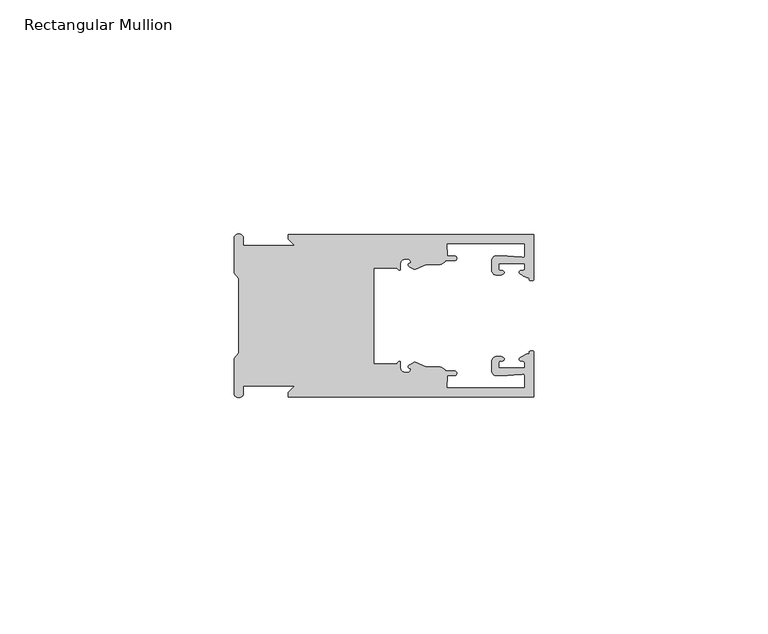
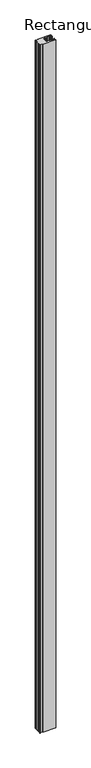
"""IFC4 building model written with IfcOpenShell, lengths in millimetres: member geometry, Rectangular Mullion."""

from ifc_helpers import new_model, si_unit, frame, origin, place, context, project, spatial, polyline, circle_curve, source, transform, mapped, element, save
from ifc_brep_helpers import plane_surface, cylinder_surface, revolved_surface, extruded_surface, spline_curve, advanced_brep


def rectangular_mullion_3cb16c54(model_context):
    return source(origin(), model_context, "Body", "AdvancedBrep", [
        advanced_brep(
        [(-52.4999971, 17.4000478, 0.0), (-52.4999971, 16.4000449, 0.0), (-51.0999522, 15.0, 0.0), (-62.0387868, 15.0, 0.0), (-62.0387868, 16.5, 0.0), (-64.0387868, 16.5, 0.0), (-64.0387868, 9.1160254, 0.0), (-63.0387868, 7.9613249, 0.0), (-63.0387868, 0.0, 0.0), (-63.0387868, -7.9613249, 0.0), (-64.0387868, -9.1160254, 0.0), (-64.0387868, -16.5, 0.0), (-62.0387868, -16.5, 0.0), (-62.0387868, -15.0, 0.0), (-51.0999522, -15.0, 0.0), (-52.4999971, -16.4000449, 0.0), (-52.4999971, -17.4000478, 0.0), (0.0, -17.4000478, 0.0), (0.0, -7.8350057, 0.0), (-0.7503181, -7.5412947, 0.0), (-1.5773715, -8.1921895, 0.0), (-1.9977219, -9.9426451, 0.0), (-1.9963701, -11.1926444, 0.0), (-7.4963668, -11.1985924, 0.0), (-7.4977187, -9.9485931, 0.0), (-6.9302524, -8.7314723, 0.0), (-7.9990702, -8.6991345, 0.0), (-8.9979881, -9.7002154, 0.0), (-8.9957171, -11.8002142, 0.0), (-7.9941504, -12.7991315, 0.0), (-5.6737115, -12.7954945, 0.0), (-2.9047814, -12.5502269, 0.0), (-1.9946938, -12.7426435, 0.0), (-1.99182, -15.4000478, 0.0), (-18.6147556, -15.4000478, 0.0), (-18.4655733, -12.8000478, 0.0), (-17.0, -12.8000478, 0.0), (-17.0, -11.8000478, 0.0), (-18.7844506, -11.8000478, 0.0), (-20.4, -10.9000478, 0.0), (-22.9933834, -10.9000478, 0.0), (-25.4690733, -9.8718293, 0.0), (-26.5, -10.4670351, 0.0), (-26.3584432, -11.4201497, 0.0), (-27.0117105, -12.1583697, 0.0), (-27.8377054, -12.0127245, 0.0), (-28.4987868, -11.2248783, 0.0), (-28.4987868, -10.0, 0.0), (-29.2682077, -10.25, 0.0), (-34.2487868, -10.25, 0.0), (-34.2487868, 0.0, 0.0), (-34.2487868, 10.25, 0.0), (-29.2682077, 10.25, 0.0), (-28.4987868, 10.0, 0.0), (-28.4987868, 11.2248783, 0.0), (-27.8377054, 12.0127245, 0.0), (-27.0117105, 12.1583697, 0.0), (-26.3584432, 11.4201497, 0.0), (-26.5, 10.4670351, 0.0), (-25.4690733, 9.8718293, 0.0), (-22.9933834, 10.9000478, 0.0), (-20.4, 10.9000478, 0.0), (-18.7844506, 11.8000478, 0.0), (-17.0, 11.8000478, 0.0), (-17.0, 12.8000478, 0.0), (-18.4655733, 12.8000478, 0.0), (-18.6147556, 15.4000478, 0.0), (-1.99182, 15.4000478, 0.0), (-1.9946938, 12.7426435, 0.0), (-2.9047814, 12.5502269, 0.0), (-5.6737115, 12.7954945, 0.0), (-7.9941504, 12.7991314, 0.0), (-8.9957171, 11.8002142, 0.0), (-8.9979881, 9.7002154, 0.0), (-7.9990702, 8.6991345, 0.0), (-6.9302524, 8.7314723, 0.0), (-7.4977187, 9.9485931, 0.0), (-7.4963668, 11.1985924, 0.0), (-1.9963701, 11.1926444, 0.0), (-1.9977219, 9.9426451, 0.0), (-1.5773715, 8.1921895, 0.0), (-0.7503181, 7.5412947, 0.0), (0.0, 7.8350057, 0.0), (0.0, 17.4000478, 0.0), (-52.4999971, 17.4000478, -2923.8690924), (0.0, 17.4000478, -2923.8690924), (0.0, 7.8350057, -2923.8690924), (-0.7503181, 7.5412947, -2923.8690924), (-1.5773715, 8.1921895, -2923.8690924), (-1.9977219, 9.9426451, -2923.8690924), (-1.9963701, 11.1926444, -2923.8690924), (-7.4963668, 11.1985924, -2923.8690924), (-7.4977187, 9.9485931, -2923.8690924), (-6.9302524, 8.7314723, -2923.8690924), (-7.9990702, 8.6991345, -2923.8690924), (-8.9979881, 9.7002154, -2923.8690924), (-8.9957171, 11.8002142, -2923.8690924), (-7.9941504, 12.7991315, -2923.8690924), (-5.6737115, 12.7954945, -2923.8690924), (-2.9047814, 12.5502269, -2923.8690924), (-1.9946938, 12.7426435, -2923.8690924), (-1.99182, 15.4000478, -2923.8690924), (-18.6147556, 15.4000478, -2923.8690924), (-18.4655733, 12.8000478, -2923.8690924), (-17.0, 12.8000478, -2923.8690924), (-17.0, 11.8000478, -2923.8690924), (-18.7844506, 11.8000478, -2923.8690924), (-20.4, 10.9000478, -2923.8690924), (-22.9933834, 10.9000478, -2923.8690924), (-25.4690733, 9.8718293, -2923.8690924), (-26.5, 10.4670351, -2923.8690924), (-26.3584432, 11.4201497, -2923.8690924), (-27.0117105, 12.1583697, -2923.8690924), (-27.8377054, 12.0127245, -2923.8690924), (-28.4987868, 11.2248783, -2923.8690924), (-28.4987868, 10.0, -2923.8690924), (-29.2682077, 10.25, -2923.8690924), (-34.2487868, 10.25, -2923.8690924), (-34.2487868, 0.0, -2923.8690924), (-34.2487868, -10.25, -2923.8690924), (-29.2682077, -10.25, -2923.8690924), (-28.4987868, -10.0, -2923.8690924), (-28.4987868, -11.2248783, -2923.8690924), (-27.8377054, -12.0127245, -2923.8690924), (-27.0117105, -12.1583697, -2923.8690924), (-26.3584432, -11.4201497, -2923.8690924), (-26.5, -10.4670351, -2923.8690924), (-25.4690733, -9.8718293, -2923.8690924), (-22.9933834, -10.9000478, -2923.8690924), (-20.4, -10.9000478, -2923.8690924), (-18.7844506, -11.8000478, -2923.8690924), (-17.0, -11.8000478, -2923.8690924), (-17.0, -12.8000478, -2923.8690924), (-18.4655733, -12.8000478, -2923.8690924), (-18.6147556, -15.4000478, -2923.8690924), (-1.99182, -15.4000478, -2923.8690924), (-1.9946938, -12.7426435, -2923.8690924), (-2.9047814, -12.5502269, -2923.8690924), (-5.6737115, -12.7954945, -2923.8690924), (-7.9941504, -12.7991314, -2923.8690924), (-8.9957171, -11.8002142, -2923.8690924), (-8.9979881, -9.7002154, -2923.8690924), (-7.9990702, -8.6991345, -2923.8690924), (-6.9302524, -8.7314723, -2923.8690924), (-7.4977187, -9.9485931, -2923.8690924), (-7.4963668, -11.1985924, -2923.8690924), (-1.9963701, -11.1926444, -2923.8690924), (-1.9977219, -9.9426451, -2923.8690924), (-1.5773715, -8.1921895, -2923.8690924), (-0.7503181, -7.5412947, -2923.8690924), (0.0, -7.8350057, -2923.8690924), (0.0, -17.4000478, -2923.8690924), (-52.4999971, -17.4000478, -2923.8690924), (-52.4999971, -16.4000449, -2923.8690924), (-51.0999522, -15.0, -2923.8690924), (-62.0387868, -15.0, -2923.8690924), (-62.0387868, -16.5, -2923.8690924), (-64.0387868, -16.5, -2923.8690924), (-64.0387868, -9.1160254, -2923.8690924), (-63.0387868, -7.9613249, -2923.8690924), (-63.0387868, 0.0, -2923.8690924), (-63.0387868, 7.9613249, -2923.8690924), (-64.0387868, 9.1160254, -2923.8690924), (-64.0387868, 16.5, -2923.8690924), (-62.0387868, 16.5, -2923.8690924), (-62.0387868, 15.0, -2923.8690924), (-51.0999522, 15.0, -2923.8690924), (-52.4999971, 16.4000449, -2923.8690924)],
        [
            (0, 1),
            (1, 2),
            (2, 3),
            (3, 4),
            (4, 5, circle_curve(frame((-63.0387868, 16.5, 0.0), z_axis=(0.0, 0.0, 1.0), x_axis=(0.0, -1.0, 0.0)), 1.0)),
            (5, 6),
            (6, 7),
            (7, 8),
            (8, 9),
            (9, 10),
            (10, 11),
            (11, 12, circle_curve(frame((-63.0387868, -16.5, 0.0), z_axis=(0.0, 0.0, 1.0), x_axis=(0.0, 1.0, 0.0)), 1.0)),
            (12, 13),
            (13, 14),
            (14, 15),
            (15, 16),
            (16, 17),
            (17, 18),
            (18, 19, spline_curve(3, [(0.0, -7.8350057, 0.0), (-0.000295423, -7.561831774, 0.0), (-0.250401475, -7.463928087, 0.0), (-0.7503181, -7.5412947, 0.0)], [4, 4], [0.0, 0.0019169337574178654])),
            (19, 20, spline_curve(3, [(-0.7503181, -7.5412947, 0.0), (-0.981025883, -7.582232011, 0.0), (-1.020341733, -7.725390894, 0.0), (-1.018861306, -8.056436881, 0.0), (-0.935342692, -8.236386866, 0.0), (-1.5773715, -8.1921895, 0.0)], [4, 2, 4], [0.0, 0.0010199524164107188, 0.0024874514725970356])),
            (20, 21, spline_curve(3, [(-1.5773715, -8.1921895, 0.0), (-3.050289227, -8.880962536, 0.0), (-3.244741678, -9.192776957, 0.0), (-3.088978722, -9.57023562, 0.0), (-2.893572786, -9.682771697, 0.0), (-2.372951094, -9.714019003, 0.0), (-2.073544226, -9.660891484, 0.0), (-1.9977219, -9.9426451, 0.0)], [4, 2, 2, 4], [0.0, 0.003269869179570428, 0.005490050486237203, 0.0073545767114364426])),
            (21, 22),
            (22, 23),
            (23, 24),
            (24, 25, spline_curve(3, [(-7.4977187, -9.9485931, 0.0), (-7.403948265, -9.597117104, 0.0), (-7.133830126, -9.698238818, 0.0), (-6.714615456, -9.731086209, 0.0), (-6.57909525, -9.646199885, 0.0), (-6.309783548, -9.346016011, 0.0), (-6.179294318, -9.113082158, 0.0), (-6.9302524, -8.7314723, 0.0)], [4, 2, 2, 4], [0.0, 0.001593963049934732, 0.0033360256320283306, 0.005339140673503943])),
            (25, 26),
            (26, 27, circle_curve(frame((-7.9979887, -9.699134, 0.0), z_axis=(0.0, 0.0, 1.0), x_axis=(-0.001081445115855867, 0.9999994152380598, 0.0)), 1.0)),
            (27, 28),
            (28, 29, circle_curve(frame((-7.9957177, -11.7991327, 0.0), z_axis=(0.0, 0.0, 1.0), x_axis=(-0.001081445115855867, 0.9999994152380598, 0.0)), 1.0)),
            (29, 30),
            (30, 31),
            (31, 32, spline_curve(3, [(-2.9047814, -12.5502269, 0.0), (-2.433301372, -12.508463911, 0.0), (-2.046675381, -12.303164326, 0.0), (-1.9946938, -12.7426435, 0.0)], [4, 4], [0.0, 0.0014803385355886016])),
            (32, 33),
            (33, 34),
            (34, 35),
            (35, 36),
            (36, 37, circle_curve(frame((-17.0, -12.3000478, 0.0), z_axis=(0.0, 0.0, 1.0), x_axis=(0.0, 1.0, 0.0)), 0.5)),
            (37, 38),
            (38, 39, circle_curve(frame((-20.4, -12.8000478, 0.0), z_axis=(0.0, 0.0, 1.0), x_axis=(0.0, 1.0, 0.0)), 1.9)),
            (39, 40),
            (40, 41),
            (41, 42),
            (42, 43, spline_curve(3, [(-26.5, -10.4670351, 0.0), (-27.064866947, -10.833863985, 0.0), (-26.840627255, -11.135696286, 0.0), (-26.450894889, -11.260246073, 0.0), (-26.284202608, -11.180452419, 0.0), (-26.3584432, -11.4201497, 0.0)], [4, 2, 4], [0.0, 0.0019283703160353726, 0.003394584635652914])),
            (43, 44, circle_curve(frame((-26.9953005, -11.5147359, 0.0), z_axis=(0.0, 0.0, -1.0), x_axis=(0.0, 1.0, 0.0)), 0.643843)),
            (44, 45),
            (45, 46, circle_curve(frame((-27.6987868, -11.2248783, 0.0), z_axis=(0.0, 0.0, -1.0), x_axis=(0.0, 1.0, 0.0)), 0.8)),
            (46, 47),
            (47, 48, spline_curve(3, [(-28.4987868, -10.0, 0.0), (-28.598786562, -9.598293201, 0.0), (-28.855260206, -9.681626535, 0.0), (-29.2682077, -10.25, 0.0)], [4, 4], [0.0, 0.0027473296990141553])),
            (48, 49),
            (49, 50),
            (50, 51),
            (51, 52),
            (52, 53, spline_curve(3, [(-29.2682077, 10.25, 0.0), (-28.855260206, 9.681626535, 0.0), (-28.598786562, 9.598293201, 0.0), (-28.4987868, 10.0, 0.0)], [4, 4], [0.0, 0.0027473296990141553])),
            (53, 54),
            (54, 55, circle_curve(frame((-27.6987868, 11.2248783, 0.0), z_axis=(0.0, 0.0, -1.0), x_axis=(0.0, -1.0, 0.0)), 0.8)),
            (55, 56),
            (56, 57, circle_curve(frame((-26.9953005, 11.5147359, 0.0), z_axis=(0.0, 0.0, -1.0), x_axis=(0.0, -1.0, 0.0)), 0.643843)),
            (57, 58, spline_curve(3, [(-26.3584432, 11.4201497, 0.0), (-26.284202608, 11.180452419, 0.0), (-26.450894889, 11.260246073, 0.0), (-26.840627255, 11.135696286, 0.0), (-27.064866947, 10.833863985, 0.0), (-26.5, 10.4670351, 0.0)], [4, 2, 4], [0.0, 0.0014662143196175414, 0.003394584635652914])),
            (58, 59),
            (59, 60),
            (60, 61),
            (61, 62, circle_curve(frame((-20.4, 12.8000478, 0.0), z_axis=(0.0, 0.0, 1.0), x_axis=(0.0, -1.0, 0.0)), 1.9)),
            (62, 63),
            (63, 64, circle_curve(frame((-17.0, 12.3000478, 0.0), z_axis=(0.0, 0.0, 1.0), x_axis=(0.0, -1.0, 0.0)), 0.5)),
            (64, 65),
            (65, 66),
            (66, 67),
            (67, 68),
            (68, 69, spline_curve(3, [(-1.9946938, 12.7426435, 0.0), (-2.046675381, 12.303164326, 0.0), (-2.433301372, 12.508463911, 0.0), (-2.9047814, 12.5502269, 0.0)], [4, 4], [0.0, 0.0014803385355886016])),
            (69, 70),
            (70, 71),
            (71, 72, circle_curve(frame((-7.9957177, 11.7991327, 0.0), z_axis=(0.0, 0.0, 1.0), x_axis=(-0.0010814451158627505, -0.9999994152380598, 0.0)), 1.0)),
            (72, 73),
            (73, 74, circle_curve(frame((-7.9979887, 9.699134, 0.0), z_axis=(0.0, 0.0, 1.0), x_axis=(-0.0010814451158627505, -0.9999994152380598, 0.0)), 1.0)),
            (74, 75),
            (75, 76, spline_curve(3, [(-6.9302524, 8.7314723, 0.0), (-6.179294318, 9.113082158, 0.0), (-6.309783548, 9.346016011, 0.0), (-6.57909525, 9.646199885, 0.0), (-6.714615456, 9.731086209, 0.0), (-7.133830126, 9.698238818, 0.0), (-7.403948265, 9.597117104, 0.0), (-7.4977187, 9.9485931, 0.0)], [4, 2, 2, 4], [0.0, 0.002003115041475612, 0.0037451776235692107, 0.005339140673503943])),
            (76, 77),
            (77, 78),
            (78, 79),
            (79, 80, spline_curve(3, [(-1.9977219, 9.9426451, 0.0), (-2.073544226, 9.660891484, 0.0), (-2.372951094, 9.714019003, 0.0), (-2.893572786, 9.682771697, 0.0), (-3.088978722, 9.57023562, 0.0), (-3.244741678, 9.192776957, 0.0), (-3.050289227, 8.880962536, 0.0), (-1.5773715, 8.1921895, 0.0)], [4, 2, 2, 4], [0.0, 0.0018645262251992395, 0.004084707531866015, 0.0073545767114364426])),
            (80, 81, spline_curve(3, [(-1.5773715, 8.1921895, 0.0), (-0.935342692, 8.236386866, 0.0), (-1.018861306, 8.056436881, 0.0), (-1.020341733, 7.725390894, 0.0), (-0.981025883, 7.582232011, 0.0), (-0.7503181, 7.5412947, 0.0)], [4, 2, 4], [0.0, 0.0014674990561863168, 0.0024874514725970356])),
            (81, 82, spline_curve(3, [(-0.7503181, 7.5412947, 0.0), (-0.250401475, 7.463928087, 0.0), (-0.000295423, 7.561831774, 0.0), (0.0, 7.8350057, 0.0)], [4, 4], [0.0, 0.0019169337574178654])),
            (82, 83),
            (83, 0),
            (84, 85),
            (85, 86),
            (86, 87, spline_curve(3, [(0.0, 7.8350057, -2923.8690924), (-0.000295423, 7.561831774, -2923.8690924), (-0.250401475, 7.463928087, -2923.8690924), (-0.7503181, 7.5412947, -2923.8690924)], [4, 4], [0.0, 0.0019169337574178654])),
            (87, 88, spline_curve(3, [(-0.7503181, 7.5412947, -2923.8690924), (-0.981025883, 7.582232011, -2923.8690924), (-1.020341733, 7.725390894, -2923.8690924), (-1.018861306, 8.056436881, -2923.8690924), (-0.935342692, 8.236386866, -2923.8690924), (-1.5773715, 8.1921895, -2923.8690924)], [4, 2, 4], [0.0, 0.0010199524164107188, 0.0024874514725970356])),
            (88, 89, spline_curve(3, [(-1.5773715, 8.1921895, -2923.8690924), (-3.050289227, 8.880962536, -2923.8690924), (-3.244741678, 9.192776957, -2923.8690924), (-3.088978722, 9.57023562, -2923.8690924), (-2.893572786, 9.682771697, -2923.8690924), (-2.372951094, 9.714019003, -2923.8690924), (-2.073544226, 9.660891484, -2923.8690924), (-1.9977219, 9.9426451, -2923.8690924)], [4, 2, 2, 4], [0.0, 0.003269869179570428, 0.005490050486237203, 0.0073545767114364426])),
            (89, 90),
            (90, 91),
            (91, 92),
            (92, 93, spline_curve(3, [(-7.4977187, 9.9485931, -2923.8690924), (-7.403948265, 9.597117104, -2923.8690924), (-7.133830126, 9.698238818, -2923.8690924), (-6.714615456, 9.731086209, -2923.8690924), (-6.57909525, 9.646199885, -2923.8690924), (-6.309783548, 9.346016011, -2923.8690924), (-6.179294318, 9.113082158, -2923.8690924), (-6.9302524, 8.7314723, -2923.8690924)], [4, 2, 2, 4], [0.0, 0.001593963049934732, 0.0033360256320283306, 0.005339140673503943])),
            (93, 94),
            (94, 95, circle_curve(frame((-7.9979887, 9.699134, -2923.8690924), z_axis=(0.0, 0.0, -1.0), x_axis=(-0.0010814451158627505, -0.9999994152380598, 0.0)), 1.0)),
            (95, 96),
            (96, 97, circle_curve(frame((-7.9957177, 11.7991327, -2923.8690924), z_axis=(0.0, 0.0, -1.0), x_axis=(-0.0010814451158627505, -0.9999994152380598, 0.0)), 1.0)),
            (97, 98),
            (98, 99),
            (99, 100, spline_curve(3, [(-2.9047814, 12.5502269, -2923.8690924), (-2.433301372, 12.508463911, -2923.8690924), (-2.046675381, 12.303164326, -2923.8690924), (-1.9946938, 12.7426435, -2923.8690924)], [4, 4], [0.0, 0.0014803385355886016])),
            (100, 101),
            (101, 102),
            (102, 103),
            (103, 104),
            (104, 105, circle_curve(frame((-17.0, 12.3000478, -2923.8690924), z_axis=(0.0, 0.0, -1.0), x_axis=(0.0, -1.0, 0.0)), 0.5)),
            (105, 106),
            (106, 107, circle_curve(frame((-20.4, 12.8000478, -2923.8690924), z_axis=(0.0, 0.0, -1.0), x_axis=(0.0, -1.0, 0.0)), 1.9)),
            (107, 108),
            (108, 109),
            (109, 110),
            (110, 111, spline_curve(3, [(-26.5, 10.4670351, -2923.8690924), (-27.064866947, 10.833863985, -2923.8690924), (-26.840627255, 11.135696286, -2923.8690924), (-26.450894889, 11.260246073, -2923.8690924), (-26.284202608, 11.180452419, -2923.8690924), (-26.3584432, 11.4201497, -2923.8690924)], [4, 2, 4], [0.0, 0.0019283703160353726, 0.003394584635652914])),
            (111, 112, circle_curve(frame((-26.9953005, 11.5147359, -2923.8690924), z_axis=(0.0, 0.0, 1.0), x_axis=(0.0, -1.0, 0.0)), 0.643843)),
            (112, 113),
            (113, 114, circle_curve(frame((-27.6987868, 11.2248783, -2923.8690924), z_axis=(0.0, 0.0, 1.0), x_axis=(0.0, -1.0, 0.0)), 0.8)),
            (114, 115),
            (115, 116, spline_curve(3, [(-28.4987868, 10.0, -2923.8690924), (-28.598786562, 9.598293201, -2923.8690924), (-28.855260206, 9.681626535, -2923.8690924), (-29.2682077, 10.25, -2923.8690924)], [4, 4], [0.0, 0.0027473296990141553])),
            (116, 117),
            (117, 118),
            (118, 119),
            (119, 120),
            (120, 121, spline_curve(3, [(-29.2682077, -10.25, -2923.8690924), (-28.855260206, -9.681626535, -2923.8690924), (-28.598786562, -9.598293201, -2923.8690924), (-28.4987868, -10.0, -2923.8690924)], [4, 4], [0.0, 0.0027473296990141553])),
            (121, 122),
            (122, 123, circle_curve(frame((-27.6987868, -11.2248783, -2923.8690924), z_axis=(0.0, 0.0, 1.0), x_axis=(0.0, 1.0, 0.0)), 0.8)),
            (123, 124),
            (124, 125, circle_curve(frame((-26.9953005, -11.5147359, -2923.8690924), z_axis=(0.0, 0.0, 1.0), x_axis=(0.0, 1.0, 0.0)), 0.643843)),
            (125, 126, spline_curve(3, [(-26.3584432, -11.4201497, -2923.8690924), (-26.284202608, -11.180452419, -2923.8690924), (-26.450894889, -11.260246073, -2923.8690924), (-26.840627255, -11.135696286, -2923.8690924), (-27.064866947, -10.833863985, -2923.8690924), (-26.5, -10.4670351, -2923.8690924)], [4, 2, 4], [0.0, 0.0014662143196175414, 0.003394584635652914])),
            (126, 127),
            (127, 128),
            (128, 129),
            (129, 130, circle_curve(frame((-20.4, -12.8000478, -2923.8690924), z_axis=(0.0, 0.0, -1.0), x_axis=(0.0, 1.0, 0.0)), 1.9)),
            (130, 131),
            (131, 132, circle_curve(frame((-17.0, -12.3000478, -2923.8690924), z_axis=(0.0, 0.0, -1.0), x_axis=(0.0, 1.0, 0.0)), 0.5)),
            (132, 133),
            (133, 134),
            (134, 135),
            (135, 136),
            (136, 137, spline_curve(3, [(-1.9946938, -12.7426435, -2923.8690924), (-2.046675381, -12.303164326, -2923.8690924), (-2.433301372, -12.508463911, -2923.8690924), (-2.9047814, -12.5502269, -2923.8690924)], [4, 4], [0.0, 0.0014803385355886016])),
            (137, 138),
            (138, 139),
            (139, 140, circle_curve(frame((-7.9957177, -11.7991327, -2923.8690924), z_axis=(0.0, 0.0, -1.0), x_axis=(-0.001081445115855867, 0.9999994152380598, 0.0)), 1.0)),
            (140, 141),
            (141, 142, circle_curve(frame((-7.9979887, -9.699134, -2923.8690924), z_axis=(0.0, 0.0, -1.0), x_axis=(-0.001081445115855867, 0.9999994152380598, 0.0)), 1.0)),
            (142, 143),
            (143, 144, spline_curve(3, [(-6.9302524, -8.7314723, -2923.8690924), (-6.179294318, -9.113082158, -2923.8690924), (-6.309783548, -9.346016011, -2923.8690924), (-6.57909525, -9.646199885, -2923.8690924), (-6.714615456, -9.731086209, -2923.8690924), (-7.133830126, -9.698238818, -2923.8690924), (-7.403948265, -9.597117104, -2923.8690924), (-7.4977187, -9.9485931, -2923.8690924)], [4, 2, 2, 4], [0.0, 0.002003115041475612, 0.0037451776235692107, 0.005339140673503943])),
            (144, 145),
            (145, 146),
            (146, 147),
            (147, 148, spline_curve(3, [(-1.9977219, -9.9426451, -2923.8690924), (-2.073544226, -9.660891484, -2923.8690924), (-2.372951094, -9.714019003, -2923.8690924), (-2.893572786, -9.682771697, -2923.8690924), (-3.088978722, -9.57023562, -2923.8690924), (-3.244741678, -9.192776957, -2923.8690924), (-3.050289227, -8.880962536, -2923.8690924), (-1.5773715, -8.1921895, -2923.8690924)], [4, 2, 2, 4], [0.0, 0.0018645262251992395, 0.004084707531866015, 0.0073545767114364426])),
            (148, 149, spline_curve(3, [(-1.5773715, -8.1921895, -2923.8690924), (-0.935342692, -8.236386866, -2923.8690924), (-1.018861306, -8.056436881, -2923.8690924), (-1.020341733, -7.725390894, -2923.8690924), (-0.981025883, -7.582232011, -2923.8690924), (-0.7503181, -7.5412947, -2923.8690924)], [4, 2, 4], [0.0, 0.0014674990561863168, 0.0024874514725970356])),
            (149, 150, spline_curve(3, [(-0.7503181, -7.5412947, -2923.8690924), (-0.250401475, -7.463928087, -2923.8690924), (-0.000295423, -7.561831774, -2923.8690924), (0.0, -7.8350057, -2923.8690924)], [4, 4], [0.0, 0.0019169337574178654])),
            (150, 151),
            (151, 152),
            (152, 153),
            (153, 154),
            (154, 155),
            (155, 156),
            (156, 157, circle_curve(frame((-63.0387868, -16.5, -2923.8690924), z_axis=(0.0, 0.0, -1.0), x_axis=(0.0, 1.0, 0.0)), 1.0)),
            (157, 158),
            (158, 159),
            (159, 160),
            (160, 161),
            (161, 162),
            (162, 163),
            (163, 164, circle_curve(frame((-63.0387868, 16.5, -2923.8690924), z_axis=(0.0, 0.0, -1.0), x_axis=(0.0, -1.0, 0.0)), 1.0)),
            (164, 165),
            (165, 166),
            (166, 167),
            (167, 84),
            (0, 84),
            (167, 1),
            (166, 2),
            (165, 3),
            (164, 4),
            (163, 5),
            (162, 6),
            (161, 7),
            (160, 8),
            (159, 9),
            (158, 10),
            (157, 11),
            (156, 12),
            (155, 13),
            (154, 14),
            (153, 15),
            (152, 16),
            (151, 17),
            (150, 18),
            (149, 19),
            (148, 20),
            (147, 21),
            (146, 22),
            (145, 23),
            (144, 24),
            (143, 25),
            (142, 26),
            (141, 27),
            (140, 28),
            (139, 29),
            (138, 30),
            (137, 31),
            (136, 32),
            (135, 33),
            (134, 34),
            (133, 35),
            (132, 36),
            (131, 37),
            (130, 38),
            (129, 39),
            (128, 40),
            (127, 41),
            (126, 42),
            (125, 43),
            (124, 44),
            (123, 45),
            (122, 46),
            (121, 47),
            (120, 48),
            (119, 49),
            (118, 50),
            (117, 51),
            (116, 52),
            (115, 53),
            (114, 54),
            (113, 55),
            (112, 56),
            (111, 57),
            (110, 58),
            (109, 59),
            (108, 60),
            (107, 61),
            (106, 62),
            (105, 63),
            (104, 64),
            (103, 65),
            (102, 66),
            (101, 67),
            (100, 68),
            (99, 69),
            (98, 70),
            (97, 71),
            (96, 72),
            (95, 73),
            (94, 74),
            (93, 75),
            (92, 76),
            (91, 77),
            (90, 78),
            (89, 79),
            (88, 80),
            (87, 81),
            (86, 82),
            (85, 83),
        ],
        [
            plane_surface(frame((0.0, -66.1302973, 0.0), z_axis=(0.0, 0.0, 1.0), x_axis=(-1.0, 0.0, 0.0))),
            plane_surface(frame((0.0, -66.1302973, -2923.8690924), z_axis=(0.0, 0.0, -1.0), x_axis=(-1.0, 0.0, 0.0))),
            plane_surface(frame((-52.4999971, 17.4000478, 0.0), z_axis=(-1.0, 0.0, 0.0), x_axis=(0.0, 0.0, -1.0))),
            plane_surface(frame((-52.4999971, 16.4000449, 0.0), z_axis=(-0.7071067811865507, -0.7071067811865446, 0.0), x_axis=(0.0, 0.0, -1.0))),
            plane_surface(frame((-51.0999522, 15.0, 0.0), z_axis=(0.0, 1.0, 0.0), x_axis=(0.0, 0.0, -1.0))),
            plane_surface(frame((-62.0387868, 15.0, 0.0), z_axis=(1.0, 0.0, 0.0), x_axis=(0.0, 0.0, -1.0))),
            cylinder_surface(frame((-63.0387868, 16.5, 0.0), z_axis=(0.0, 0.0, 1.0), x_axis=(0.0, -1.0, 0.0)), 1.0),
            plane_surface(frame((-64.0387868, 16.5, 0.0), z_axis=(-1.0, 0.0, 0.0), x_axis=(0.0, 0.0, -1.0))),
            plane_surface(frame((-64.0387868, 9.1160254, 0.0), z_axis=(-0.7559289460231571, -0.654653670702547, 0.0), x_axis=(0.0, 0.0, -1.0))),
            plane_surface(frame((-63.0387868, 7.9613249, 0.0), z_axis=(-1.0, 0.0, 0.0), x_axis=(0.0, 0.0, -1.0))),
            plane_surface(frame((-63.0387868, 0.0, 0.0), z_axis=(-1.0, 0.0, 0.0), x_axis=(0.0, 0.0, -1.0))),
            plane_surface(frame((-63.0387868, -7.9613249, 0.0), z_axis=(-0.7559289460231527, 0.6546536707025522, 0.0), x_axis=(0.0, 0.0, -1.0))),
            plane_surface(frame((-64.0387868, -9.1160254, 0.0), z_axis=(-1.0, 0.0, 0.0), x_axis=(0.0, 0.0, -1.0))),
            cylinder_surface(frame((-63.0387868, -16.5, 0.0), z_axis=(0.0, 0.0, 1.0), x_axis=(0.0, 1.0, 0.0)), 1.0),
            plane_surface(frame((-62.0387868, -16.5, 0.0), z_axis=(1.0, 0.0, 0.0), x_axis=(0.0, 0.0, -1.0))),
            plane_surface(frame((-62.0387868, -15.0, 0.0), z_axis=(0.0, -1.0, 0.0), x_axis=(0.0, 0.0, -1.0))),
            plane_surface(frame((-51.0999522, -15.0, 0.0), z_axis=(-0.7071067811865457, 0.7071067811865493, 0.0), x_axis=(0.0, 0.0, -1.0))),
            plane_surface(frame((-52.4999971, -16.4000449, 0.0), z_axis=(-1.0, 0.0, 0.0), x_axis=(0.0, 0.0, -1.0))),
            plane_surface(frame((-52.4999971, -17.4000478, 0.0), z_axis=(0.0, -1.0, 0.0), x_axis=(0.0, 0.0, -1.0))),
            plane_surface(frame((0.0, -17.4000478, 0.0), z_axis=(1.0, 0.0, 0.0), x_axis=(0.0, 0.0, -1.0))),
            extruded_surface(spline_curve(3, [(0.0, -7.8350057, -2923.8690924), (-0.000295423, -7.561831774, -2923.8690924), (-0.250401475, -7.463928087, -2923.8690924), (-0.7503181, -7.5412947, -2923.8690924)], [4, 4], [0.0, 0.0019169337574178654]), (0.0, 0.0, 2923.8690924), 2923.8690924),
            extruded_surface(spline_curve(3, [(-0.7503181, -7.5412947, -2923.8690924), (-0.981025883, -7.582232011, -2923.8690924), (-1.020341733, -7.725390894, -2923.8690924), (-1.018861306, -8.056436881, -2923.8690924), (-0.935342692, -8.236386866, -2923.8690924), (-1.5773715, -8.1921895, -2923.8690924)], [4, 2, 4], [0.0, 0.0010199524164107188, 0.0024874514725970356]), (0.0, 0.0, 2923.8690924), 2923.8690924),
            extruded_surface(spline_curve(3, [(-1.5773715, -8.1921895, -2923.8690924), (-3.050289227, -8.880962536, -2923.8690924), (-3.244741678, -9.192776957, -2923.8690924), (-3.088978722, -9.57023562, -2923.8690924), (-2.893572786, -9.682771697, -2923.8690924), (-2.372951094, -9.714019003, -2923.8690924), (-2.073544226, -9.660891484, -2923.8690924), (-1.9977219, -9.9426451, -2923.8690924)], [4, 2, 2, 4], [0.0, 0.003269869179570428, 0.005490050486237203, 0.0073545767114364426]), (0.0, 0.0, 2923.8690924), 2923.8690924),
            plane_surface(frame((-1.9977219, -9.9426451, 0.0), z_axis=(-0.9999994152380598, -0.001081445115852483, 0.0), x_axis=(0.0, 0.0, -1.0))),
            plane_surface(frame((-1.9963701, -11.1926444, 0.0), z_axis=(-0.0010814451158542558, 0.9999994152380598, 0.0), x_axis=(0.0, 0.0, -1.0))),
            plane_surface(frame((-7.4963668, -11.1985924, 0.0), z_axis=(0.9999994152380598, 0.0010814451158515682, 0.0), x_axis=(0.0, 0.0, -1.0))),
            extruded_surface(spline_curve(3, [(-7.4977187, -9.9485931, -2923.8690924), (-7.403948265, -9.597117104, -2923.8690924), (-7.133830126, -9.698238818, -2923.8690924), (-6.714615456, -9.731086209, -2923.8690924), (-6.57909525, -9.646199885, -2923.8690924), (-6.309783548, -9.346016011, -2923.8690924), (-6.179294318, -9.113082158, -2923.8690924), (-6.9302524, -8.7314723, -2923.8690924)], [4, 2, 2, 4], [0.0, 0.001593963049934732, 0.0033360256320283306, 0.005339140673503943]), (0.0, 0.0, 2923.8690924), 2923.8690924),
            plane_surface(frame((-6.9302524, -8.7314723, 0.0), z_axis=(0.030241832452876805, 0.9995426111826811, 0.0), x_axis=(0.0, 0.0, -1.0))),
            cylinder_surface(frame((-7.9979887, -9.699134, 0.0), z_axis=(0.0, 0.0, 1.0000000000000002), x_axis=(-0.001081445115855867, 0.9999994152380598, 0.0)), 1.0),
            plane_surface(frame((-8.9979881, -9.7002154, 0.0), z_axis=(-0.9999994152380598, -0.0010814451158518386, 0.0), x_axis=(0.0, 0.0, -1.0))),
            cylinder_surface(frame((-7.9957177, -11.7991327, 0.0), z_axis=(0.0, 0.0, 1.0000000000000002), x_axis=(-0.001081445115855867, 0.9999994152380598, 0.0)), 1.0),
            plane_surface(frame((-7.9941504, -12.7991314, 0.0), z_axis=(0.001567318332783891, -0.9999987717558677, 0.0), x_axis=(0.0, 0.0, -1.0))),
            plane_surface(frame((-5.6737115, -12.7954945, 0.0), z_axis=(0.08823302167298844, -0.9960998614026879, 0.0), x_axis=(0.0, 0.0, -1.0))),
            extruded_surface(spline_curve(3, [(-2.9047814, -12.5502269, -2923.8690924), (-2.433301372, -12.508463911, -2923.8690924), (-2.046675381, -12.303164326, -2923.8690924), (-1.9946938, -12.7426435, -2923.8690924)], [4, 4], [0.0, 0.0014803385355886016]), (0.0, 0.0, 2923.8690924), 2923.8690924),
            plane_surface(frame((-1.9946938, -12.7426435, 0.0), z_axis=(-0.9999994152380598, -0.001081445115852898, 0.0), x_axis=(0.0, 0.0, -1.0))),
            plane_surface(frame((-1.99182, -15.4000478, 0.0), z_axis=(0.0, 1.0, 0.0), x_axis=(0.0, 0.0, -1.0))),
            plane_surface(frame((-18.6147556, -15.4000478, 0.0), z_axis=(0.9983579461523543, -0.05728360458676463, 0.0), x_axis=(0.0, 0.0, -1.0))),
            plane_surface(frame((-18.4655733, -12.8000478, 0.0), z_axis=(0.0, -1.0, 0.0), x_axis=(0.0, 0.0, -1.0))),
            cylinder_surface(frame((-17.0, -12.3000478, 0.0), z_axis=(0.0, 0.0, 1.0), x_axis=(0.0, 1.0, 0.0)), 0.5),
            plane_surface(frame((-17.0, -11.8000478, 0.0), z_axis=(0.0, 1.0, 0.0), x_axis=(0.0, 0.0, -1.0))),
            cylinder_surface(frame((-20.4, -12.8000478, 0.0), z_axis=(0.0, 0.0, 1.0), x_axis=(0.0, 1.0, 0.0)), 1.9),
            plane_surface(frame((-20.4, -10.9000478, 0.0), z_axis=(0.0, 1.0, 0.0), x_axis=(0.0, 0.0, -1.0))),
            plane_surface(frame((-22.9933834, -10.9000478, 0.0), z_axis=(0.38356021407506324, 0.9235158700199426, 0.0), x_axis=(0.0, 0.0, -1.0))),
            plane_surface(frame((-25.4690733, -9.8718293, 0.0), z_axis=(-0.5000000000252234, 0.8660254037698759, 0.0), x_axis=(0.0, 0.0, -1.0))),
            extruded_surface(spline_curve(3, [(-26.5, -10.4670351, -2923.8690924), (-27.064866947, -10.833863985, -2923.8690924), (-26.840627255, -11.135696286, -2923.8690924), (-26.450894889, -11.260246073, -2923.8690924), (-26.284202608, -11.180452419, -2923.8690924), (-26.3584432, -11.4201497, -2923.8690924)], [4, 2, 4], [0.0, 0.0019283703160353726, 0.003394584635652914]), (0.0, 0.0, 2923.8690924), 2923.8690924),
            revolved_surface(polyline([(-26.9953005, -10.8708929, -2923.8690924), (-26.9953005, -10.8708929, 0.0)]), (-26.9953005, -11.5147359, 0.0), (0.0, 0.0, -1.0)),
            plane_surface(frame((-27.0117105, -12.1583697, 0.0), z_axis=(0.17364817767051083, 0.9848077530115767, 0.0), x_axis=(0.0, 0.0, -1.0))),
            revolved_surface(polyline([(-27.6987868, -10.4248783, -2923.8690924), (-27.6987868, -10.4248783, 0.0)]), (-27.6987868, -11.2248783, 0.0), (0.0, 0.0, -1.0)),
            plane_surface(frame((-28.4987868, -11.2248783, 0.0), z_axis=(1.0, 0.0, 0.0), x_axis=(0.0, 0.0, -1.0))),
            extruded_surface(spline_curve(3, [(-28.4987868, -10.0, -2923.8690924), (-28.598786562, -9.598293201, -2923.8690924), (-28.855260206, -9.681626535, -2923.8690924), (-29.2682077, -10.25, -2923.8690924)], [4, 4], [0.0, 0.0027473296990141553]), (0.0, 0.0, 2923.8690924), 2923.8690924),
            plane_surface(frame((-29.2682077, -10.25, 0.0), z_axis=(0.0, 1.0, 0.0), x_axis=(0.0, 0.0, -1.0))),
            plane_surface(frame((-34.2487868, -10.25, 0.0), z_axis=(1.0, 0.0, 0.0), x_axis=(0.0, 0.0, -1.0))),
            plane_surface(frame((-34.2487868, 0.0, 0.0), z_axis=(1.0, 0.0, 0.0), x_axis=(0.0, 0.0, -1.0))),
            plane_surface(frame((-34.2487868, 10.25, 0.0), z_axis=(0.0, -1.0, 0.0), x_axis=(0.0, 0.0, -1.0))),
            extruded_surface(spline_curve(3, [(-29.2682077, 10.25, -2923.8690924), (-28.855260206, 9.681626535, -2923.8690924), (-28.598786562, 9.598293201, -2923.8690924), (-28.4987868, 10.0, -2923.8690924)], [4, 4], [0.0, 0.0027473296990141553]), (0.0, 0.0, 2923.8690924), 2923.8690924),
            plane_surface(frame((-28.4987868, 10.0, 0.0), z_axis=(1.0, 0.0, 0.0), x_axis=(0.0, 0.0, -1.0))),
            revolved_surface(polyline([(-27.6987868, 10.4248783, -2923.8690924), (-27.6987868, 10.4248783, 0.0)]), (-27.6987868, 11.2248783, 0.0), (0.0, 0.0, -1.0)),
            plane_surface(frame((-27.8377054, 12.0127245, 0.0), z_axis=(0.17364817767050408, -0.984807753011578, 0.0), x_axis=(0.0, 0.0, -1.0))),
            revolved_surface(polyline([(-26.9953005, 10.8708929, -2923.8690924), (-26.9953005, 10.8708929, 0.0)]), (-26.9953005, 11.5147359, 0.0), (0.0, 0.0, -1.0)),
            extruded_surface(spline_curve(3, [(-26.3584432, 11.4201497, -2923.8690924), (-26.284202608, 11.180452419, -2923.8690924), (-26.450894889, 11.260246073, -2923.8690924), (-26.840627255, 11.135696286, -2923.8690924), (-27.064866947, 10.833863985, -2923.8690924), (-26.5, 10.4670351, -2923.8690924)], [4, 2, 4], [0.0, 0.0014662143196175414, 0.003394584635652914]), (0.0, 0.0, 2923.8690924), 2923.8690924),
            plane_surface(frame((-26.5, 10.4670351, 0.0), z_axis=(-0.5000000000252295, -0.8660254037698725, 0.0), x_axis=(0.0, 0.0, -1.0))),
            plane_surface(frame((-25.4690733, 9.8718293, 0.0), z_axis=(0.3835602140750569, -0.9235158700199453, 0.0), x_axis=(0.0, 0.0, -1.0))),
            plane_surface(frame((-22.9933834, 10.9000478, 0.0), z_axis=(0.0, -1.0, 0.0), x_axis=(0.0, 0.0, -1.0))),
            cylinder_surface(frame((-20.4, 12.8000478, 0.0), z_axis=(0.0, 0.0, 1.0), x_axis=(0.0, -1.0, 0.0)), 1.9),
            plane_surface(frame((-18.7844506, 11.8000478, 0.0), z_axis=(0.0, -1.0, 0.0), x_axis=(0.0, 0.0, -1.0))),
            cylinder_surface(frame((-17.0, 12.3000478, 0.0), z_axis=(0.0, 0.0, 1.0), x_axis=(0.0, -1.0, 0.0)), 0.5),
            plane_surface(frame((-17.0, 12.8000478, 0.0), z_axis=(0.0, 1.0, 0.0), x_axis=(0.0, 0.0, -1.0))),
            plane_surface(frame((-18.4655733, 12.8000478, 0.0), z_axis=(0.9983579461523547, 0.05728360458675776, 0.0), x_axis=(0.0, 0.0, -1.0))),
            plane_surface(frame((-18.6147556, 15.4000478, 0.0), z_axis=(0.0, -1.0, 0.0), x_axis=(0.0, 0.0, -1.0))),
            plane_surface(frame((-1.99182, 15.4000478, 0.0), z_axis=(-0.9999994152380598, 0.0010814451158597813, 0.0), x_axis=(0.0, 0.0, -1.0))),
            extruded_surface(spline_curve(3, [(-1.9946938, 12.7426435, -2923.8690924), (-2.046675381, 12.303164326, -2923.8690924), (-2.433301372, 12.508463911, -2923.8690924), (-2.9047814, 12.5502269, -2923.8690924)], [4, 4], [0.0, 0.0014803385355886016]), (0.0, 0.0, 2923.8690924), 2923.8690924),
            plane_surface(frame((-2.9047814, 12.5502269, 0.0), z_axis=(0.08823302167299531, 0.9960998614026874, 0.0), x_axis=(0.0, 0.0, -1.0))),
            plane_surface(frame((-5.6737115, 12.7954945, 0.0), z_axis=(0.0015673183327907744, 0.9999987717558677, 0.0), x_axis=(0.0, 0.0, -1.0))),
            cylinder_surface(frame((-7.9957177, 11.7991327, 0.0), z_axis=(0.0, 0.0, 1.0000000000000002), x_axis=(-0.0010814451158627505, -0.9999994152380598, 0.0)), 1.0),
            plane_surface(frame((-8.9957171, 11.8002142, 0.0), z_axis=(-0.9999994152380598, 0.001081445115858722, 0.0), x_axis=(0.0, 0.0, -1.0))),
            cylinder_surface(frame((-7.9979887, 9.699134, 0.0), z_axis=(0.0, 0.0, 1.0000000000000002), x_axis=(-0.0010814451158627505, -0.9999994152380598, 0.0)), 1.0),
            plane_surface(frame((-7.9990702, 8.6991345, 0.0), z_axis=(0.030241832452869922, -0.9995426111826813, 0.0), x_axis=(0.0, 0.0, -1.0))),
            extruded_surface(spline_curve(3, [(-6.9302524, 8.7314723, -2923.8690924), (-6.179294318, 9.113082158, -2923.8690924), (-6.309783548, 9.346016011, -2923.8690924), (-6.57909525, 9.646199885, -2923.8690924), (-6.714615456, 9.731086209, -2923.8690924), (-7.133830126, 9.698238818, -2923.8690924), (-7.403948265, 9.597117104, -2923.8690924), (-7.4977187, 9.9485931, -2923.8690924)], [4, 2, 2, 4], [0.0, 0.002003115041475612, 0.0037451776235692107, 0.005339140673503943]), (0.0, 0.0, 2923.8690924), 2923.8690924),
            plane_surface(frame((-7.4977187, 9.9485931, 0.0), z_axis=(0.9999994152380598, -0.0010814451158584516, 0.0), x_axis=(0.0, 0.0, -1.0))),
            plane_surface(frame((-7.4963668, 11.1985924, 0.0), z_axis=(-0.0010814451158611391, -0.9999994152380598, 0.0), x_axis=(0.0, 0.0, -1.0))),
            plane_surface(frame((-1.9963701, 11.1926444, 0.0), z_axis=(-0.9999994152380598, 0.0010814451158593665, 0.0), x_axis=(0.0, 0.0, -1.0))),
            extruded_surface(spline_curve(3, [(-1.9977219, 9.9426451, -2923.8690924), (-2.073544226, 9.660891484, -2923.8690924), (-2.372951094, 9.714019003, -2923.8690924), (-2.893572786, 9.682771697, -2923.8690924), (-3.088978722, 9.57023562, -2923.8690924), (-3.244741678, 9.192776957, -2923.8690924), (-3.050289227, 8.880962536, -2923.8690924), (-1.5773715, 8.1921895, -2923.8690924)], [4, 2, 2, 4], [0.0, 0.0018645262251992395, 0.004084707531866015, 0.0073545767114364426]), (0.0, 0.0, 2923.8690924), 2923.8690924),
            extruded_surface(spline_curve(3, [(-1.5773715, 8.1921895, -2923.8690924), (-0.935342692, 8.236386866, -2923.8690924), (-1.018861306, 8.056436881, -2923.8690924), (-1.020341733, 7.725390894, -2923.8690924), (-0.981025883, 7.582232011, -2923.8690924), (-0.7503181, 7.5412947, -2923.8690924)], [4, 2, 4], [0.0, 0.0014674990561863168, 0.0024874514725970356]), (0.0, 0.0, 2923.8690924), 2923.8690924),
            extruded_surface(spline_curve(3, [(-0.7503181, 7.5412947, -2923.8690924), (-0.250401475, 7.463928087, -2923.8690924), (-0.000295423, 7.561831774, -2923.8690924), (0.0, 7.8350057, -2923.8690924)], [4, 4], [0.0, 0.0019169337574178654]), (0.0, 0.0, 2923.8690924), 2923.8690924),
            plane_surface(frame((0.0, 7.8350057, 0.0), z_axis=(1.0, 0.0, 0.0), x_axis=(0.0, 0.0, -1.0))),
            plane_surface(frame((0.0, 17.4000478, 0.0), z_axis=(0.0, 1.0, 0.0), x_axis=(0.0, 0.0, -1.0))),
        ],
        [
            (0, [[1, 2, 3, 4, 5, 6, 7, 8, 9, 10, 11, 12, 13, 14, 15, 16, 17, 18, 19, 20, 21, 22, 23, 24, 25, 26, 27, 28, 29, 30, 31, 32, 33, 34, 35, 36, 37, 38, 39, 40, 41, 42, 43, 44, 45, 46, 47, 48, 49, 50, 51, 52, 53, 54, 55, 56, 57, 58, 59, 60, 61, 62, 63, 64, 65, 66, 67, 68, 69, 70, 71, 72, 73, 74, 75, 76, 77, 78, 79, 80, 81, 82, 83, 84]]),
            (1, [[85, 86, 87, 88, 89, 90, 91, 92, 93, 94, 95, 96, 97, 98, 99, 100, 101, 102, 103, 104, 105, 106, 107, 108, 109, 110, 111, 112, 113, 114, 115, 116, 117, 118, 119, 120, 121, 122, 123, 124, 125, 126, 127, 128, 129, 130, 131, 132, 133, 134, 135, 136, 137, 138, 139, 140, 141, 142, 143, 144, 145, 146, 147, 148, 149, 150, 151, 152, 153, 154, 155, 156, 157, 158, 159, 160, 161, 162, 163, 164, 165, 166, 167, 168]]),
            (2, [[-1, 169, -168, 170]]),
            (3, [[-2, -170, -167, 171]]),
            (4, [[-3, -171, -166, 172]]),
            (5, [[-4, -172, -165, 173]]),
            (6, [[-5, -173, -164, 174]]),
            (7, [[-6, -174, -163, 175]]),
            (8, [[-7, -175, -162, 176]]),
            (9, [[-8, -176, -161, 177]]),
            (10, [[-9, -177, -160, 178]]),
            (11, [[-10, -178, -159, 179]]),
            (12, [[-11, -179, -158, 180]]),
            (13, [[-12, -180, -157, 181]]),
            (14, [[-13, -181, -156, 182]]),
            (15, [[-14, -182, -155, 183]]),
            (16, [[-15, -183, -154, 184]]),
            (17, [[-16, -184, -153, 185]]),
            (18, [[-17, -185, -152, 186]]),
            (19, [[-18, -186, -151, 187]]),
            (20, [[-19, -187, -150, 188]]),
            (21, [[-20, -188, -149, 189]]),
            (22, [[-21, -189, -148, 190]]),
            (23, [[-22, -190, -147, 191]]),
            (24, [[-23, -191, -146, 192]]),
            (25, [[-24, -192, -145, 193]]),
            (26, [[-25, -193, -144, 194]]),
            (27, [[-26, -194, -143, 195]]),
            (28, [[-27, -195, -142, 196]]),
            (29, [[-28, -196, -141, 197]]),
            (30, [[-29, -197, -140, 198]]),
            (31, [[-30, -198, -139, 199]]),
            (32, [[-31, -199, -138, 200]]),
            (33, [[-32, -200, -137, 201]]),
            (34, [[-33, -201, -136, 202]]),
            (35, [[-34, -202, -135, 203]]),
            (36, [[-35, -203, -134, 204]]),
            (37, [[-36, -204, -133, 205]]),
            (38, [[-37, -205, -132, 206]]),
            (39, [[-38, -206, -131, 207]]),
            (40, [[-39, -207, -130, 208]]),
            (41, [[-40, -208, -129, 209]]),
            (42, [[-41, -209, -128, 210]]),
            (43, [[-42, -210, -127, 211]]),
            (44, [[-43, -211, -126, 212]]),
            (45, [[-44, -212, -125, 213]]),
            (46, [[-45, -213, -124, 214]]),
            (47, [[-46, -214, -123, 215]]),
            (48, [[-47, -215, -122, 216]]),
            (49, [[-48, -216, -121, 217]]),
            (50, [[-49, -217, -120, 218]]),
            (51, [[-50, -218, -119, 219]]),
            (52, [[-51, -219, -118, 220]]),
            (53, [[-52, -220, -117, 221]]),
            (54, [[-53, -221, -116, 222]]),
            (55, [[-54, -222, -115, 223]]),
            (56, [[-55, -223, -114, 224]]),
            (57, [[-56, -224, -113, 225]]),
            (58, [[-57, -225, -112, 226]]),
            (59, [[-58, -226, -111, 227]]),
            (60, [[-59, -227, -110, 228]]),
            (61, [[-60, -228, -109, 229]]),
            (62, [[-61, -229, -108, 230]]),
            (63, [[-62, -230, -107, 231]]),
            (64, [[-63, -231, -106, 232]]),
            (65, [[-64, -232, -105, 233]]),
            (66, [[-65, -233, -104, 234]]),
            (67, [[-66, -234, -103, 235]]),
            (68, [[-67, -235, -102, 236]]),
            (69, [[-68, -236, -101, 237]]),
            (70, [[-69, -237, -100, 238]]),
            (71, [[-70, -238, -99, 239]]),
            (72, [[-71, -239, -98, 240]]),
            (73, [[-72, -240, -97, 241]]),
            (74, [[-73, -241, -96, 242]]),
            (75, [[-74, -242, -95, 243]]),
            (76, [[-75, -243, -94, 244]]),
            (77, [[-76, -244, -93, 245]]),
            (78, [[-77, -245, -92, 246]]),
            (79, [[-78, -246, -91, 247]]),
            (80, [[-79, -247, -90, 248]]),
            (81, [[-80, -248, -89, 249]]),
            (82, [[-81, -249, -88, 250]]),
            (83, [[-82, -250, -87, 251]]),
            (84, [[-83, -251, -86, 252]]),
            (85, [[-84, -252, -85, -169]]),
        ],
    ),
    ])


if __name__ == "__main__":
    model = new_model("IFC4")
    model_context = context("Model", 3, world=origin())
    ifc_project = project(units=[si_unit("LENGTHUNIT", "METRE", prefix="MILLI")], contexts=[model_context])
    site = spatial("IfcSite", under=ifc_project)
    building = spatial("IfcBuilding", under=site)
    placement = place(None, origin())
    rectangular_mullion_shape = rectangular_mullion_3cb16c54(model_context)
    element("IfcMember", 1, ObjectType="Rectangular Mullion", at=placement, inside=building, context=model_context, shape_type="MappedRepresentation", body=[
        mapped(rectangular_mullion_shape, transform((0.0, 0.0, 0.0), x_axis=(1.0, 0.0, 0.0), y_axis=(0.0, 1.0, 0.0), z_axis=(0.0, 0.0, 1.0))),
    ])
    save(model, "model.ifc")
